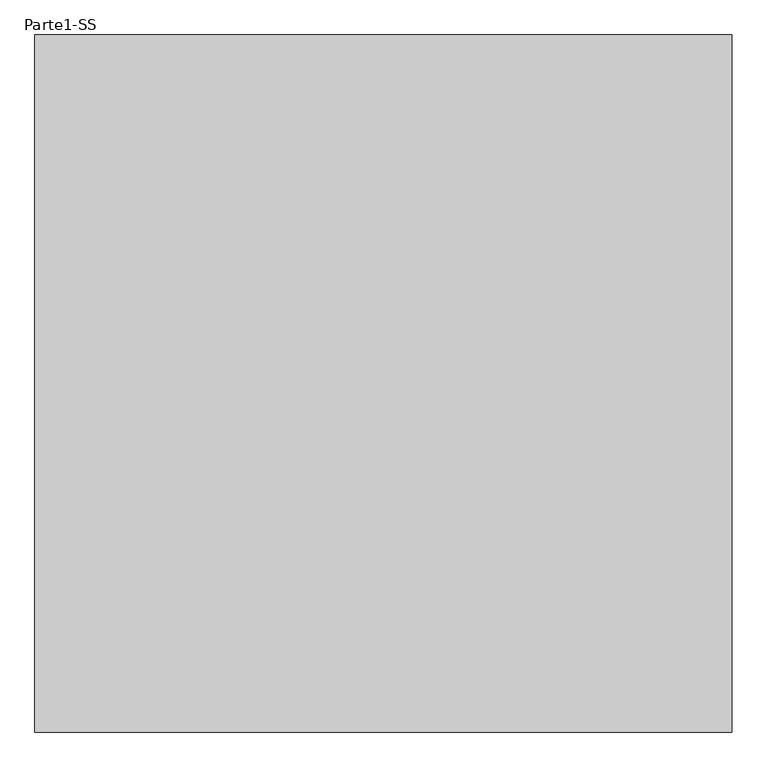
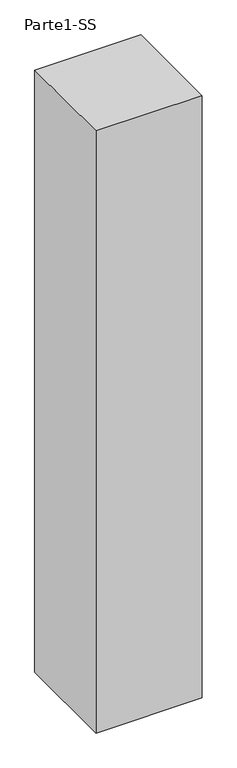
"""IFC4 building model written with IfcOpenShell, lengths in millimetres: proxy geometry, Parte1-SS."""

from ifc_helpers import new_model, si_unit, frame, origin, place, context, project, spatial, polyline, outline, extrude, source, transform, mapped, element, save


def parte1_ss_753a72fa(model_context):
    return source(origin(), model_context, "Body", "SweptSolid", [
        extrude(outline(polyline([(10000.0, 10000.0), (10000.0, 0.0), (0.0, 0.0), (0.0, 10000.0), (10000.0, 10000.0)])), frame((0.0, 0.0, 5000.0), z_axis=(0.0, 0.0, 1.0), x_axis=(1.0, 0.0, 0.0)), (0.0, 0.0, 1.0), 60000.0),
    ])


if __name__ == "__main__":
    model = new_model("IFC4")
    model_context = context("Model", 3, world=origin())
    ifc_project = project(units=[si_unit("LENGTHUNIT", "METRE", prefix="MILLI")], contexts=[model_context])
    site = spatial("IfcSite", under=ifc_project)
    building = spatial("IfcBuilding", under=site)
    placement = place(None, origin())
    parte1_ss_shape = parte1_ss_753a72fa(model_context)
    element("IfcBuildingElementProxy", 1, Name="Parte1-SS", ObjectType="Parte1-SS", at=placement, inside=building, context=model_context, shape_type="MappedRepresentation", body=[
        mapped(parte1_ss_shape, transform((0.0, 0.0, 0.0), x_axis=(1.0, 0.0, 0.0), y_axis=(0.0, 1.0, 0.0), z_axis=(0.0, 0.0, 1.0))),
    ])
    save(model, "model.ifc")
